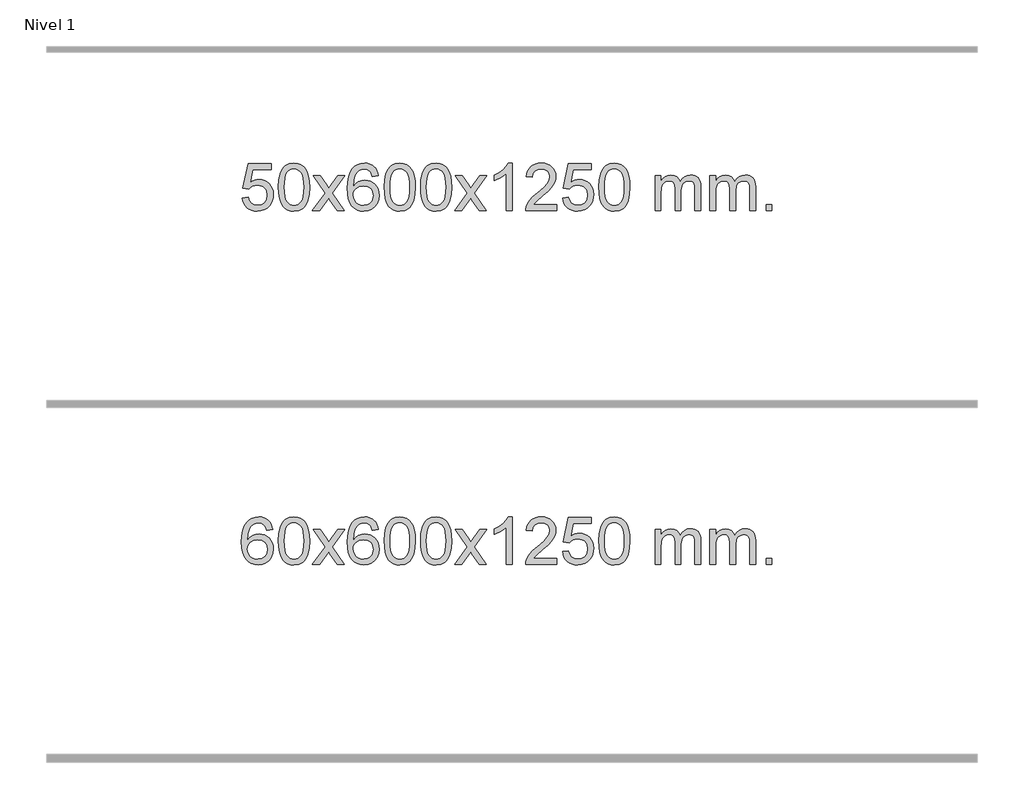
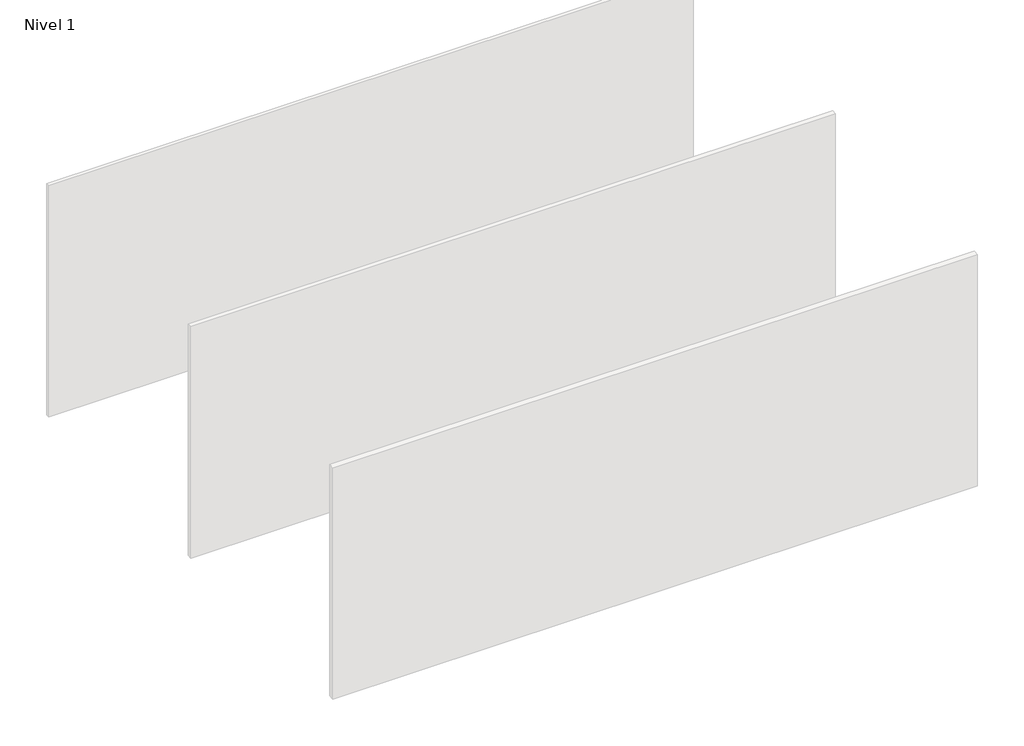
# One storey, part 5 of 6: 2 proxies.
"""IFC4 building model written with IfcOpenShell, lengths in millimetres."""

from ifc_helpers import new_model, si_unit, origin, origin_with_axes, place, context, project, spatial, polyline, outline, extrude, element, save

model = new_model("IFC4")

# Units and contexts
model_context = context("Model", 3, world=origin())
ifc_project = project(units=[si_unit("LENGTHUNIT", "METRE", prefix="MILLI")], contexts=[model_context])

# Site, building, storey
site = spatial("IfcSite", under=ifc_project)
building = spatial("IfcBuilding", under=site)
storey = spatial("IfcBuildingStorey", under=building, Name="Nivel 1", Elevation=0.0)

# Proxies
placement = place(None, origin())
element("IfcBuildingElementProxy", 1, Name="Texto de modelo 1", ObjectType="Texto de modelo 1", at=placement, inside=storey, context=model_context, shape_type="SweptSolid", body=[
    extrude(outline(polyline([(-4870.8435659, -284.8446235), (-4820.6154108, -278.5661041), (-4811.3938355, -308.7201649), (-4795.3051296, -330.3148381), (-4772.4228695, -343.3010725), (-4742.8206316, -347.6298173), (-4723.6907678, -346.1245668), (-4706.817247, -341.6088153), (-4692.2000691, -334.0825628), (-4679.839234, -323.5458094), (-4670.0106534, -310.519721), (-4662.9902386, -295.5254641), (-4657.3739068, -259.6324441), (-4662.6346194, -225.8363514), (-4669.21051, -211.9181493), (-4678.416757, -199.9865099), (-4690.284017, -190.4154467), (-4704.842947, -183.5789729), (-4742.0358167, -178.1097939), (-4766.4018675, -180.2925604), (-4786.1326052, -186.8408599), (-4801.8902173, -196.8717757), (-4814.3368915, -209.5023908), (-4864.5650465, -203.2238715), (-4820.6154108, 3.9672682), (-4625.9813099, 3.9672682), (-4625.9813099, -46.2608869), (-4780.0012386, -46.2608869), (-4801.4855471, -156.919791), (-4783.7597663, -144.2155994), (-4765.6047898, -135.1411769), (-4747.0206177, -129.6965234), (-4728.0072499, -127.8816388), (-4703.5461629, -130.1318504), (-4681.0777701, -136.882485), (-4660.6020714, -148.1335427), (-4642.1190668, -163.8850234), (-4626.8182415, -183.1743027), (-4615.8890805, -205.038756), (-4609.331584, -229.4783832), (-4607.1457518, -256.4931844), (-4609.1139204, -282.5147042), (-4615.0184265, -306.7213394), (-4624.8592698, -329.1130902), (-4638.6364506, -349.6899565), (-4659.5076224, -370.7634634), (-4683.8614105, -385.8159684), (-4711.6978148, -394.8474714), (-4743.0168353, -397.8579724), (-4768.9371876, -395.9235262), (-4792.3498109, -390.1201877), (-4813.2547053, -380.447957), (-4831.6518707, -366.9068338), (-4846.9588274, -350.1712688), (-4858.5930955, -330.915712), (-4866.554675, -309.1401636), (-4870.8435659, -284.8446235)])), origin_with_axes(), (0.0, 0.0, 1.0), 10.0),
    extrude(outline(polyline([(-4563.1961161, -193.9041943), (-4559.5050334, -129.5861588), (-4548.4317853, -78.2911459), (-4530.0867365, -39.2343407), (-4518.2286735, -24.0009605), (-4504.5802515, -11.6309284), (-4489.0954852, -2.0598651), (-4471.7283893, 4.7766086), (-4431.347209, 10.2457876), (-4400.3960705, 7.008426), (-4372.6822935, -2.7036586), (-4349.5057278, -18.5103217), (-4332.1662231, -40.0314184), (-4319.0696241, -67.0830078), (-4308.6217754, -99.4811488), (-4301.7791703, -140.6226186), (-4299.4983019, -193.9041943), (-4303.1525964, -257.8543477), (-4314.1154799, -309.0267333), (-4332.3501641, -348.1203266), (-4344.1806359, -363.3996922), (-4357.8198609, -375.8341036), (-4373.3230213, -385.4695462), (-4390.7452995, -392.3520052), (-4431.347209, -397.8579724), (-4459.011935, -395.4667394), (-4483.5374014, -388.2930405), (-4504.923608, -376.3368757), (-4523.170555, -359.5982449), (-4540.681738, -329.3399508), (-4553.1897258, -291.6381776), (-4560.6945185, -246.4929255), (-4563.1961161, -193.9041943)]), holes=[polyline([(-4512.967961, -193.8060924), (-4511.496433, -237.4706195), (-4507.0818491, -272.8148822), (-4499.7242092, -299.8388804), (-4489.4235133, -318.5426142), (-4476.9645764, -331.2682656), (-4463.1322134, -340.3580165), (-4447.9264243, -345.8118671), (-4431.347209, -347.6298173), (-4414.7679938, -345.8057357), (-4399.5622046, -340.3334911), (-4385.7298416, -331.2130833), (-4373.2709047, -318.4445124), (-4362.9702088, -299.7101217), (-4355.6125689, -272.6922549), (-4351.197985, -237.3909118), (-4349.726457, -193.8060924), (-4351.1489341, -151.2973278), (-4355.4163652, -116.5753989), (-4362.5287504, -89.6403055), (-4372.4860898, -70.4920476), (-4384.7365602, -57.1440625), (-4398.7283388, -47.6097875), (-4414.4614254, -41.8892225), (-4431.9358202, -39.9823675), (-4448.4291963, -41.6623619), (-4463.3774681, -46.7023452), (-4476.7806354, -55.1023175), (-4488.6386984, -66.8622786), (-4499.2827508, -87.708925), (-4506.8856454, -115.8151094), (-4511.4473821, -151.1808319), (-4512.967961, -193.8060924)])]), origin_with_axes(), (0.0, 0.0, 1.0), 10.0),
    extrude(outline(polyline([(-4274.3842244, -391.579453), (-4167.0607837, -243.2494325), (-4268.105705, -96.4890419), (-4207.6749559, -96.4890419), (-4158.9183288, -167.122385), (-4136.1586961, -200.4770192), (-4116.4402211, -173.2047007), (-4060.9145653, -96.4890419), (-4000.4838163, -96.4890419), (-4106.6300346, -243.2494325), (-4004.4078909, -391.579453), (-4064.8386399, -391.579453), (-4126.3485095, -302.4048574), (-4137.6302241, -286.1199477), (-4213.9534753, -391.579453), (-4274.3842244, -391.579453)])), origin_with_axes(), (0.0, 0.0, 1.0), 10.0),
    extrude(outline(polyline([(-3715.5959992, -96.4890419), (-3765.8241543, -102.7675613), (-3773.9175582, -77.874213), (-3784.8559162, -60.8780648), (-3807.6400744, -45.2062918), (-3835.1821731, -39.9823675), (-3858.5304171, -43.0235253), (-3880.5052349, -52.1469988), (-3899.3775813, -71.3627017), (-3914.7918368, -97.8134171), (-3925.2028973, -135.227016), (-3929.0656583, -187.3313693), (-3908.9179877, -163.8237098), (-3884.772666, -147.2567573), (-3857.9785941, -137.434308), (-3829.8846724, -134.1601582), (-3805.7516135, -136.398107), (-3783.48249, -143.1119534), (-3763.077302, -154.3016975), (-3744.5360495, -169.9673391), (-3729.1279252, -189.1769106), (-3718.1221222, -210.9984443), (-3711.5186404, -235.4319401), (-3709.3174798, -262.4773982), (-3713.4622836, -298.4439945), (-3725.8966951, -331.786366), (-3745.5906445, -360.0642287), (-3771.5140625, -380.8372987), (-3802.4897265, -393.602804), (-3837.3404141, -397.8579724), (-3867.2829429, -395.0375437), (-3894.3253352, -386.5762579), (-3918.4675911, -372.4741147), (-3939.7097107, -352.7311143), (-3957.0277556, -326.5133908), (-3969.3977877, -292.9870783), (-3976.8198069, -252.1521768), (-3979.2938133, -204.0086864), (-3976.5469611, -150.0342663), (-3968.3064044, -103.9693092), (-3954.5721433, -65.8138149), (-3935.3441776, -35.5677835), (-3914.5036626, -15.5243462), (-3890.3399469, -1.2076052), (-3862.8530305, 7.3824394), (-3832.0429134, 10.2457876), (-3808.9092673, 8.4738227), (-3787.9706504, 3.1579278), (-3769.2270627, -5.7018969), (-3752.6785043, -18.1056515), (-3738.7725649, -33.6364031), (-3727.9568342, -51.8772186), (-3720.2313123, -72.8280983), (-3715.5959992, -96.4890419)]), holes=[polyline([(-3929.0656583, -261.6925832), (-3926.1593905, -283.9494439), (-3917.4405872, -305.2007605), (-3903.9025298, -323.472233), (-3886.5384996, -336.7895612), (-3865.5814886, -344.9197533), (-3841.2644887, -347.6298173), (-3808.118321, -342.0134855), (-3794.2031845, -334.9930708), (-3782.060013, -325.1644901), (-3772.2099726, -312.9262824), (-3765.1742294, -298.6769865), (-3759.5456349, -264.1451299), (-3765.100653, -230.9989621), (-3772.0444257, -217.3781312), (-3781.7657074, -205.725469), (-3793.9456671, -196.3904634), (-3808.2654738, -189.7226022), (-3843.3246279, -184.3883133), (-3876.4217448, -189.7226022), (-3904.0987335, -205.725469), (-3915.0217631, -217.2248471), (-3922.8239271, -230.3858254), (-3927.5052255, -245.2084042), (-3929.0656583, -261.6925832)])]), origin_with_axes(), (0.0, 0.0, 1.0), 10.0),
    extrude(outline(polyline([(-3665.3678441, -193.9041943), (-3661.6767614, -129.5861588), (-3650.6035134, -78.2911459), (-3632.2584646, -39.2343407), (-3620.4004016, -24.0009605), (-3606.7519796, -11.6309284), (-3591.2672132, -2.0598651), (-3573.9001174, 4.7766086), (-3533.518937, 10.2457876), (-3502.5677985, 7.008426), (-3474.8540216, -2.7036586), (-3451.6774559, -18.5103217), (-3434.3379511, -40.0314184), (-3421.2413521, -67.0830078), (-3410.7935035, -99.4811488), (-3403.9508983, -140.6226186), (-3401.67003, -193.9041943), (-3405.3243245, -257.8543477), (-3416.2872079, -309.0267333), (-3434.5218921, -348.1203266), (-3446.352364, -363.3996922), (-3459.9915889, -375.8341036), (-3475.4947494, -385.4695462), (-3492.9170275, -392.3520052), (-3533.518937, -397.8579724), (-3561.1836631, -395.4667394), (-3585.7091294, -388.2930405), (-3607.0953361, -376.3368757), (-3625.342283, -359.5982449), (-3642.853466, -329.3399508), (-3655.3614539, -291.6381776), (-3662.8662466, -246.4929255), (-3665.3678441, -193.9041943)]), holes=[polyline([(-3615.139689, -193.8060924), (-3613.6681611, -237.4706195), (-3609.2535771, -272.8148822), (-3601.8959372, -299.8388804), (-3591.5952414, -318.5426142), (-3579.1363044, -331.2682656), (-3565.3039414, -340.3580165), (-3550.0981523, -345.8118671), (-3533.518937, -347.6298173), (-3516.9397218, -345.8057357), (-3501.7339327, -340.3334911), (-3487.9015696, -331.2130833), (-3475.4426327, -318.4445124), (-3465.1419369, -299.7101217), (-3457.784297, -272.6922549), (-3453.369713, -237.3909118), (-3451.8981851, -193.8060924), (-3453.3206621, -151.2973278), (-3457.5880932, -116.5753989), (-3464.7004785, -89.6403055), (-3474.6578178, -70.4920476), (-3486.9082883, -57.1440625), (-3500.9000668, -47.6097875), (-3516.6331535, -41.8892225), (-3534.1075482, -39.9823675), (-3550.6009244, -41.6623619), (-3565.5491961, -46.7023452), (-3578.9523635, -55.1023175), (-3590.8104264, -66.8622786), (-3601.4544788, -87.708925), (-3609.0573734, -115.8151094), (-3613.6191101, -151.1808319), (-3615.139689, -193.8060924)])]), origin_with_axes(), (0.0, 0.0, 1.0), 10.0),
    extrude(outline(polyline([(-3357.7203943, -193.9041943), (-3354.0293116, -129.5861588), (-3342.9560635, -78.2911459), (-3324.6110147, -39.2343407), (-3312.7529517, -24.0009605), (-3299.1045297, -11.6309284), (-3283.6197634, -2.0598651), (-3266.2526676, 4.7766086), (-3225.8714872, 10.2457876), (-3194.9203487, 7.008426), (-3167.2065717, -2.7036586), (-3144.030006, -18.5103217), (-3126.6905013, -40.0314184), (-3113.5939023, -67.0830078), (-3103.1460536, -99.4811488), (-3096.3034485, -140.6226186), (-3094.0225801, -193.9041943), (-3097.6768746, -257.8543477), (-3108.6397581, -309.0267333), (-3126.8744423, -348.1203266), (-3138.7049141, -363.3996922), (-3152.3441391, -375.8341036), (-3167.8472995, -385.4695462), (-3185.2695777, -392.3520052), (-3225.8714872, -397.8579724), (-3253.5362133, -395.4667394), (-3278.0616796, -388.2930405), (-3299.4478862, -376.3368757), (-3317.6948332, -359.5982449), (-3335.2060162, -329.3399508), (-3347.714004, -291.6381776), (-3355.2187967, -246.4929255), (-3357.7203943, -193.9041943)]), holes=[polyline([(-3307.4922392, -193.8060924), (-3306.0207112, -237.4706195), (-3301.6061273, -272.8148822), (-3294.2484874, -299.8388804), (-3283.9477915, -318.5426142), (-3271.4888546, -331.2682656), (-3257.6564916, -340.3580165), (-3242.4507025, -345.8118671), (-3225.8714872, -347.6298173), (-3209.292272, -345.8057357), (-3194.0864828, -340.3334911), (-3180.2541198, -331.2130833), (-3167.7951829, -318.4445124), (-3157.494487, -299.7101217), (-3150.1368471, -272.6922549), (-3145.7222632, -237.3909118), (-3144.2507352, -193.8060924), (-3145.6732123, -151.2973278), (-3149.9406434, -116.5753989), (-3157.0530287, -89.6403055), (-3167.010368, -70.4920476), (-3179.2608384, -57.1440625), (-3193.252617, -47.6097875), (-3208.9857036, -41.8892225), (-3226.4600984, -39.9823675), (-3242.9534745, -41.6623619), (-3257.9017463, -46.7023452), (-3271.3049136, -55.1023175), (-3283.1629766, -66.8622786), (-3293.807029, -87.708925), (-3301.4099236, -115.8151094), (-3305.9716603, -151.1808319), (-3307.4922392, -193.8060924)])]), origin_with_axes(), (0.0, 0.0, 1.0), 10.0),
    extrude(outline(polyline([(-3068.9085026, -391.579453), (-2961.5850619, -243.2494325), (-3062.6299832, -96.4890419), (-3002.1992341, -96.4890419), (-2953.4426071, -167.122385), (-2930.6829743, -200.4770192), (-2910.9644993, -173.2047007), (-2855.4388435, -96.4890419), (-2795.0080945, -96.4890419), (-2901.1543128, -243.2494325), (-2798.9321691, -391.579453), (-2859.3629182, -391.579453), (-2920.8727877, -302.4048574), (-2932.1545023, -286.1199477), (-3008.4777535, -391.579453), (-3068.9085026, -391.579453)])), origin_with_axes(), (0.0, 0.0, 1.0), 10.0),
    extrude(outline(polyline([(-2579.1839906, -391.579453), (-2629.4121457, -391.579453), (-2629.4121457, -78.4382987), (-2650.3814194, -95.3976587), (-2676.9915504, -112.3324932), (-2729.8684559, -137.6918254), (-2729.8684559, -90.2105225), (-2690.4192432, -68.7507395), (-2656.2430059, -43.219729), (-2629.3017811, -16.0700378), (-2611.5576062, 10.2457876), (-2579.1839906, 10.2457876), (-2579.1839906, -391.579453)])), origin_with_axes(), (0.0, 0.0, 1.0), 10.0),
    extrude(outline(polyline([(-2202.4728276, -341.3512979), (-2202.4728276, -391.579453), (-2466.1706417, -391.579453), (-2465.0669957, -373.8965918), (-2460.7750391, -356.9494945), (-2448.3896786, -329.8856424), (-2430.265359, -303.6311307), (-2404.0476355, -276.1503456), (-2367.3820633, -245.4076736), (-2313.1807826, -197.2641831), (-2280.6600143, -161.7267824), (-2264.3996301, -132.884834), (-2258.979502, -104.8277005), (-2264.0930618, -79.6768347), (-2279.433741, -58.7688747), (-2303.0149768, -44.6789943), (-2332.8502067, -39.9823675), (-2364.1814899, -44.5686297), (-2388.5230153, -58.3274163), (-2404.2315765, -80.1796068), (-2409.6639672, -109.0460807), (-2459.8921223, -102.7675613), (-2455.5725746, -76.838012), (-2447.7152283, -54.1826125), (-2436.3200835, -34.8013627), (-2421.3871402, -18.6942627), (-2403.2597548, -6.0329907), (-2382.2812841, 3.010775), (-2358.4517278, 8.4370345), (-2331.7710861, 10.2457876), (-2304.8513211, 8.2346994), (-2280.8930062, 2.2014346), (-2259.8961413, -7.8540066), (-2241.8607265, -21.9316242), (-2227.375373, -38.9890861), (-2217.0286918, -57.9840598), (-2210.8206832, -78.9165453), (-2208.7513469, -101.7865427), (-2210.9831644, -125.8092369), (-2217.6786167, -149.4149983), (-2229.5612051, -173.4254299), (-2247.354431, -198.6621347), (-2275.7181328, -228.7916701), (-2319.3121492, -267.4805933), (-2377.0941479, -315.795762), (-2399.7556788, -341.3512979), (-2202.4728276, -341.3512979)])), origin_with_axes(), (0.0, 0.0, 1.0), 10.0),
    extrude(outline(polyline([(-2152.2446725, -284.8446235), (-2102.0165174, -278.5661041), (-2092.7949421, -308.7201649), (-2076.7062361, -330.3148381), (-2053.823976, -343.3010725), (-2024.2217382, -347.6298173), (-2005.0918744, -346.1245668), (-1988.2183536, -341.6088153), (-1973.6011756, -334.0825628), (-1961.2403406, -323.5458094), (-1951.41176, -310.519721), (-1944.3913452, -295.5254641), (-1938.7750134, -259.6324441), (-1944.035726, -225.8363514), (-1950.6116166, -211.9181493), (-1959.8178635, -199.9865099), (-1971.6851236, -190.4154467), (-1986.2440535, -183.5789729), (-2023.4369232, -178.1097939), (-2047.8029741, -180.2925604), (-2067.5337117, -186.8408599), (-2083.2913239, -196.8717757), (-2095.737998, -209.5023908), (-2145.9661531, -203.2238715), (-2102.0165174, 3.9672682), (-1907.3824165, 3.9672682), (-1907.3824165, -46.2608869), (-2061.4023451, -46.2608869), (-2082.8866537, -156.919791), (-2065.1608729, -144.2155994), (-2047.0058964, -135.1411769), (-2028.4217243, -129.6965234), (-2009.4083565, -127.8816388), (-1984.9472695, -130.1318504), (-1962.4788766, -136.882485), (-1942.0031779, -148.1335427), (-1923.5201734, -163.8850234), (-1908.219348, -183.1743027), (-1897.2901871, -205.038756), (-1890.7326905, -229.4783832), (-1888.5468583, -256.4931844), (-1890.515027, -282.5147042), (-1896.419533, -306.7213394), (-1906.2603764, -329.1130902), (-1920.0375571, -349.6899565), (-1940.908729, -370.7634634), (-1965.2625171, -385.8159684), (-1993.0989214, -394.8474714), (-2024.4179419, -397.8579724), (-2050.3382941, -395.9235262), (-2073.7509175, -390.1201877), (-2094.6558118, -380.447957), (-2113.0529773, -366.9068338), (-2128.359934, -350.1712688), (-2139.9942021, -330.915712), (-2147.9557816, -309.1401636), (-2152.2446725, -284.8446235)])), origin_with_axes(), (0.0, 0.0, 1.0), 10.0),
    extrude(outline(polyline([(-1844.5972227, -193.9041943), (-1840.90614, -129.5861588), (-1829.8328919, -78.2911459), (-1811.4878431, -39.2343407), (-1799.6297801, -24.0009605), (-1785.9813581, -11.6309284), (-1770.4965918, -2.0598651), (-1753.1294959, 4.7766086), (-1712.7483156, 10.2457876), (-1681.7971771, 7.008426), (-1654.0834001, -2.7036586), (-1630.9068344, -18.5103217), (-1613.5673297, -40.0314184), (-1600.4707307, -67.0830078), (-1590.022882, -99.4811488), (-1583.1802769, -140.6226186), (-1580.8994085, -193.9041943), (-1584.553703, -257.8543477), (-1595.5165865, -309.0267333), (-1613.7512707, -348.1203266), (-1625.5817425, -363.3996922), (-1639.2209675, -375.8341036), (-1654.7241279, -385.4695462), (-1672.1464061, -392.3520052), (-1712.7483156, -397.8579724), (-1740.4130416, -395.4667394), (-1764.938508, -388.2930405), (-1786.3247146, -376.3368757), (-1804.5716616, -359.5982449), (-1822.0828446, -329.3399508), (-1834.5908324, -291.6381776), (-1842.0956251, -246.4929255), (-1844.5972227, -193.9041943)]), holes=[polyline([(-1794.3690676, -193.8060924), (-1792.8975396, -237.4706195), (-1788.4829557, -272.8148822), (-1781.1253158, -299.8388804), (-1770.8246199, -318.5426142), (-1758.365683, -331.2682656), (-1744.53332, -340.3580165), (-1729.3275308, -345.8118671), (-1712.7483156, -347.6298173), (-1696.1691003, -345.8057357), (-1680.9633112, -340.3334911), (-1667.1309482, -331.2130833), (-1654.6720113, -318.4445124), (-1644.3713154, -299.7101217), (-1637.0136755, -272.6922549), (-1632.5990916, -237.3909118), (-1631.1275636, -193.8060924), (-1632.5500406, -151.2973278), (-1636.8174718, -116.5753989), (-1643.929857, -89.6403055), (-1653.8871964, -70.4920476), (-1666.1376668, -57.1440625), (-1680.1294453, -47.6097875), (-1695.862532, -41.8892225), (-1713.3369268, -39.9823675), (-1729.8303029, -41.6623619), (-1744.7785746, -46.7023452), (-1758.181742, -55.1023175), (-1770.039805, -66.8622786), (-1780.6838574, -87.708925), (-1788.2867519, -115.8151094), (-1792.8484887, -151.1808319), (-1794.3690676, -193.8060924)])]), origin_with_axes(), (0.0, 0.0, 1.0), 10.0),
    extrude(outline(polyline([(-1367.4297494, -391.579453), (-1367.4297494, -96.4890419), (-1317.2015944, -96.4890419), (-1317.2015944, -145.0494653), (-1302.0939071, -122.7435537), (-1282.6697378, -105.2691589), (-1259.5912739, -93.9751816), (-1233.5207032, -90.2105225), (-1205.586197, -94.048758), (-1183.1944463, -105.5634645), (-1166.4680782, -123.9943524), (-1155.5297202, -148.5811324), (-1137.2214596, -123.0439906), (-1116.338025, -104.803175), (-1092.8794164, -93.8586857), (-1066.8456339, -90.2105225), (-1046.7378172, -91.7280358), (-1029.0886785, -96.2805755), (-1013.8982178, -103.8681416), (-1001.166435, -114.4907342), (-991.1017968, -128.2709806), (-983.9127695, -145.3315082), (-979.5993531, -165.6723168), (-978.1615476, -189.2934066), (-978.1615476, -391.579453), (-1028.3897027, -391.579453), (-1028.3897027, -210.875817), (-1029.5546623, -185.8230531), (-1033.0495413, -168.9372695), (-1039.5978408, -157.3735121), (-1049.9230621, -148.2868268), (-1063.2036022, -142.4007149), (-1078.6178578, -140.4386776), (-1105.8288627, -145.4663982), (-1128.012147, -160.54956), (-1136.61752, -172.1194488), (-1142.764215, -186.7182326), (-1147.681571, -225.0024856), (-1147.681571, -391.579453), (-1197.9097261, -391.579453), (-1197.9097261, -205.2840106), (-1200.8159938, -176.8835206), (-1209.5347971, -156.6254854), (-1224.8754763, -144.4853796), (-1247.6473718, -140.4386776), (-1266.9979648, -143.1364789), (-1284.8279788, -151.2298828), (-1299.5432586, -164.5226856), (-1309.5496489, -182.8186835), (-1315.288608, -208.2025411), (-1317.2015944, -242.7589232), (-1317.2015944, -391.579453), (-1367.4297494, -391.579453)])), origin_with_axes(), (0.0, 0.0, 1.0), 10.0),
    extrude(outline(polyline([(-902.819315, -391.579453), (-902.819315, -96.4890419), (-852.5911599, -96.4890419), (-852.5911599, -145.0494653), (-837.4834727, -122.7435537), (-818.0593033, -105.2691589), (-794.9808395, -93.9751816), (-768.9102688, -90.2105225), (-740.9757626, -94.048758), (-718.5840118, -105.5634645), (-701.8576438, -123.9943524), (-690.9192858, -148.5811324), (-672.6110252, -123.0439906), (-651.7275906, -104.803175), (-628.268982, -93.8586857), (-602.2351995, -90.2105225), (-582.1273828, -91.7280358), (-564.478244, -96.2805755), (-549.2877833, -103.8681416), (-536.5560006, -114.4907342), (-526.4913624, -128.2709806), (-519.302335, -145.3315082), (-514.9889186, -165.6723168), (-513.5511132, -189.2934066), (-513.5511132, -391.579453), (-563.7792682, -391.579453), (-563.7792682, -210.875817), (-564.9442279, -185.8230531), (-568.4391069, -168.9372695), (-574.9874064, -157.3735121), (-585.3126277, -148.2868268), (-598.5931677, -142.4007149), (-614.0074233, -140.4386776), (-641.2184282, -145.4663982), (-663.4017125, -160.54956), (-672.0070855, -172.1194488), (-678.1537806, -186.7182326), (-683.0711366, -225.0024856), (-683.0711366, -391.579453), (-733.2992916, -391.579453), (-733.2992916, -205.2840106), (-736.2055594, -176.8835206), (-744.9243627, -156.6254854), (-760.2650419, -144.4853796), (-783.0369374, -140.4386776), (-802.3875303, -143.1364789), (-820.2175444, -151.2298828), (-834.9328242, -164.5226856), (-844.9392144, -182.8186835), (-850.6781736, -208.2025411), (-852.5911599, -242.7589232), (-852.5911599, -391.579453), (-902.819315, -391.579453)])), origin_with_axes(), (0.0, 0.0, 1.0), 10.0),
    extrude(outline(polyline([(-425.6518418, -391.579453), (-425.6518418, -341.3512979), (-375.4236867, -341.3512979), (-375.4236867, -391.579453), (-425.6518418, -391.579453)])), origin_with_axes(), (0.0, 0.0, 1.0), 10.0),
])
element("IfcBuildingElementProxy", 2, Name="Texto de modelo 1", ObjectType="Texto de modelo 1", at=placement, inside=storey, context=model_context, shape_type="SweptSolid", body=[
    extrude(outline(polyline([(-4613.4242712, -3100.4890419), (-4663.6524262, -3106.7675613), (-4671.7458301, -3081.874213), (-4682.6841881, -3064.8780648), (-4705.4683463, -3049.2062918), (-4733.0104451, -3043.9823675), (-4756.358689, -3047.0235253), (-4778.3335069, -3056.1469988), (-4797.2058532, -3075.3627017), (-4812.6201088, -3101.8134171), (-4823.0311693, -3139.227016), (-4826.8939302, -3191.3313693), (-4806.7462596, -3167.8237098), (-4782.600938, -3151.2567573), (-4755.806866, -3141.434308), (-4727.7129443, -3138.1601582), (-4703.5798854, -3140.398107), (-4681.310762, -3147.1119534), (-4660.905574, -3158.3016975), (-4642.3643214, -3173.9673391), (-4626.9561972, -3193.1769106), (-4615.9503942, -3214.9984443), (-4609.3469124, -3239.4319401), (-4607.1457518, -3266.4773982), (-4611.2905556, -3302.4439945), (-4623.724967, -3335.786366), (-4643.4189165, -3364.0642287), (-4669.3423344, -3384.8372987), (-4700.3179984, -3397.602804), (-4735.1686861, -3401.8579724), (-4765.1112148, -3399.0375437), (-4792.1536071, -3390.5762579), (-4816.2958631, -3376.4741147), (-4837.5379826, -3356.7311143), (-4854.8560275, -3330.5133908), (-4867.2260596, -3296.9870783), (-4874.6480789, -3256.1521768), (-4877.1220853, -3208.0086864), (-4874.3752331, -3154.0342663), (-4866.1346764, -3107.9693092), (-4852.4004152, -3069.8138149), (-4833.1724496, -3039.5677835), (-4812.3319346, -3019.5243462), (-4788.1682189, -3005.2076052), (-4760.6813025, -2996.6175606), (-4729.8711854, -2993.7542124), (-4706.7375392, -2995.5261773), (-4685.7989223, -3000.8420722), (-4667.0553347, -3009.7018969), (-4650.5067763, -3022.1056515), (-4636.6008369, -3037.6364031), (-4625.7851062, -3055.8772186), (-4618.0595843, -3076.8280983), (-4613.4242712, -3100.4890419)]), holes=[polyline([(-4826.8939302, -3265.6925832), (-4823.9876625, -3287.9494439), (-4815.2688592, -3309.2007605), (-4801.7308018, -3327.472233), (-4784.3667716, -3340.7895612), (-4763.4097606, -3348.9197533), (-4739.0927607, -3351.6298173), (-4705.9465929, -3346.0134855), (-4692.0314565, -3338.9930708), (-4679.888285, -3329.1644901), (-4670.0382445, -3316.9262824), (-4663.0025014, -3302.6769865), (-4657.3739068, -3268.1451299), (-4662.928925, -3234.9989621), (-4669.8726976, -3221.3781312), (-4679.5939794, -3209.725469), (-4691.7739391, -3200.3904634), (-4706.0937457, -3193.7226022), (-4741.1528999, -3188.3883133), (-4774.2500167, -3193.7226022), (-4801.9270055, -3209.725469), (-4812.8500351, -3221.2248471), (-4820.652199, -3234.3858254), (-4825.3334974, -3249.2084042), (-4826.8939302, -3265.6925832)])]), origin_with_axes(), (0.0, 0.0, 1.0), 10.0),
    extrude(outline(polyline([(-4563.1961161, -3197.9041943), (-4559.5050334, -3133.5861588), (-4548.4317853, -3082.2911459), (-4530.0867365, -3043.2343407), (-4518.2286735, -3028.0009605), (-4504.5802515, -3015.6309284), (-4489.0954852, -3006.0598651), (-4471.7283893, -2999.2233914), (-4431.347209, -2993.7542124), (-4400.3960705, -2996.991574), (-4372.6822935, -3006.7036586), (-4349.5057278, -3022.5103217), (-4332.1662231, -3044.0314184), (-4319.0696241, -3071.0830078), (-4308.6217754, -3103.4811488), (-4301.7791703, -3144.6226186), (-4299.4983019, -3197.9041943), (-4303.1525964, -3261.8543477), (-4314.1154799, -3313.0267333), (-4332.3501641, -3352.1203266), (-4344.1806359, -3367.3996922), (-4357.8198609, -3379.8341036), (-4373.3230213, -3389.4695462), (-4390.7452995, -3396.3520052), (-4431.347209, -3401.8579724), (-4459.011935, -3399.4667394), (-4483.5374014, -3392.2930405), (-4504.923608, -3380.3368757), (-4523.170555, -3363.5982449), (-4540.681738, -3333.3399508), (-4553.1897258, -3295.6381776), (-4560.6945185, -3250.4929255), (-4563.1961161, -3197.9041943)]), holes=[polyline([(-4512.967961, -3197.8060924), (-4511.496433, -3241.4706195), (-4507.0818491, -3276.8148822), (-4499.7242092, -3303.8388804), (-4489.4235133, -3322.5426142), (-4476.9645764, -3335.2682656), (-4463.1322134, -3344.3580165), (-4447.9264243, -3349.8118671), (-4431.347209, -3351.6298173), (-4414.7679938, -3349.8057357), (-4399.5622046, -3344.3334911), (-4385.7298416, -3335.2130833), (-4373.2709047, -3322.4445124), (-4362.9702088, -3303.7101217), (-4355.6125689, -3276.6922549), (-4351.197985, -3241.3909118), (-4349.726457, -3197.8060924), (-4351.1489341, -3155.2973278), (-4355.4163652, -3120.5753989), (-4362.5287504, -3093.6403055), (-4372.4860898, -3074.4920476), (-4384.7365602, -3061.1440625), (-4398.7283388, -3051.6097875), (-4414.4614254, -3045.8892225), (-4431.9358202, -3043.9823675), (-4448.4291963, -3045.6623619), (-4463.3774681, -3050.7023452), (-4476.7806354, -3059.1023175), (-4488.6386984, -3070.8622786), (-4499.2827508, -3091.708925), (-4506.8856454, -3119.8151094), (-4511.4473821, -3155.1808319), (-4512.967961, -3197.8060924)])]), origin_with_axes(), (0.0, 0.0, 1.0), 10.0),
    extrude(outline(polyline([(-4274.3842244, -3395.579453), (-4167.0607837, -3247.2494325), (-4268.105705, -3100.4890419), (-4207.6749559, -3100.4890419), (-4158.9183288, -3171.122385), (-4136.1586961, -3204.4770192), (-4116.4402211, -3177.2047007), (-4060.9145653, -3100.4890419), (-4000.4838163, -3100.4890419), (-4106.6300346, -3247.2494325), (-4004.4078909, -3395.579453), (-4064.8386399, -3395.579453), (-4126.3485095, -3306.4048574), (-4137.6302241, -3290.1199477), (-4213.9534753, -3395.579453), (-4274.3842244, -3395.579453)])), origin_with_axes(), (0.0, 0.0, 1.0), 10.0),
    extrude(outline(polyline([(-3715.5959992, -3100.4890419), (-3765.8241543, -3106.7675613), (-3773.9175582, -3081.874213), (-3784.8559162, -3064.8780648), (-3807.6400744, -3049.2062918), (-3835.1821731, -3043.9823675), (-3858.5304171, -3047.0235253), (-3880.5052349, -3056.1469988), (-3899.3775813, -3075.3627017), (-3914.7918368, -3101.8134171), (-3925.2028973, -3139.227016), (-3929.0656583, -3191.3313693), (-3908.9179877, -3167.8237098), (-3884.772666, -3151.2567573), (-3857.9785941, -3141.434308), (-3829.8846724, -3138.1601582), (-3805.7516135, -3140.398107), (-3783.48249, -3147.1119534), (-3763.077302, -3158.3016975), (-3744.5360495, -3173.9673391), (-3729.1279252, -3193.1769106), (-3718.1221222, -3214.9984443), (-3711.5186404, -3239.4319401), (-3709.3174798, -3266.4773982), (-3713.4622836, -3302.4439945), (-3725.8966951, -3335.786366), (-3745.5906445, -3364.0642287), (-3771.5140625, -3384.8372987), (-3802.4897265, -3397.602804), (-3837.3404141, -3401.8579724), (-3867.2829429, -3399.0375437), (-3894.3253352, -3390.5762579), (-3918.4675911, -3376.4741147), (-3939.7097107, -3356.7311143), (-3957.0277556, -3330.5133908), (-3969.3977877, -3296.9870783), (-3976.8198069, -3256.1521768), (-3979.2938133, -3208.0086864), (-3976.5469611, -3154.0342663), (-3968.3064044, -3107.9693092), (-3954.5721433, -3069.8138149), (-3935.3441776, -3039.5677835), (-3914.5036626, -3019.5243462), (-3890.3399469, -3005.2076052), (-3862.8530305, -2996.6175606), (-3832.0429134, -2993.7542124), (-3808.9092673, -2995.5261773), (-3787.9706504, -3000.8420722), (-3769.2270627, -3009.7018969), (-3752.6785043, -3022.1056515), (-3738.7725649, -3037.6364031), (-3727.9568342, -3055.8772186), (-3720.2313123, -3076.8280983), (-3715.5959992, -3100.4890419)]), holes=[polyline([(-3929.0656583, -3265.6925832), (-3926.1593905, -3287.9494439), (-3917.4405872, -3309.2007605), (-3903.9025298, -3327.472233), (-3886.5384996, -3340.7895612), (-3865.5814886, -3348.9197533), (-3841.2644887, -3351.6298173), (-3808.118321, -3346.0134855), (-3794.2031845, -3338.9930708), (-3782.060013, -3329.1644901), (-3772.2099726, -3316.9262824), (-3765.1742294, -3302.6769865), (-3759.5456349, -3268.1451299), (-3765.100653, -3234.9989621), (-3772.0444257, -3221.3781312), (-3781.7657074, -3209.725469), (-3793.9456671, -3200.3904634), (-3808.2654738, -3193.7226022), (-3843.3246279, -3188.3883133), (-3876.4217448, -3193.7226022), (-3904.0987335, -3209.725469), (-3915.0217631, -3221.2248471), (-3922.8239271, -3234.3858254), (-3927.5052255, -3249.2084042), (-3929.0656583, -3265.6925832)])]), origin_with_axes(), (0.0, 0.0, 1.0), 10.0),
    extrude(outline(polyline([(-3665.3678441, -3197.9041943), (-3661.6767614, -3133.5861588), (-3650.6035134, -3082.2911459), (-3632.2584646, -3043.2343407), (-3620.4004016, -3028.0009605), (-3606.7519796, -3015.6309284), (-3591.2672132, -3006.0598651), (-3573.9001174, -2999.2233914), (-3533.518937, -2993.7542124), (-3502.5677985, -2996.991574), (-3474.8540216, -3006.7036586), (-3451.6774559, -3022.5103217), (-3434.3379511, -3044.0314184), (-3421.2413521, -3071.0830078), (-3410.7935035, -3103.4811488), (-3403.9508983, -3144.6226186), (-3401.67003, -3197.9041943), (-3405.3243245, -3261.8543477), (-3416.2872079, -3313.0267333), (-3434.5218921, -3352.1203266), (-3446.352364, -3367.3996922), (-3459.9915889, -3379.8341036), (-3475.4947494, -3389.4695462), (-3492.9170275, -3396.3520052), (-3533.518937, -3401.8579724), (-3561.1836631, -3399.4667394), (-3585.7091294, -3392.2930405), (-3607.0953361, -3380.3368757), (-3625.342283, -3363.5982449), (-3642.853466, -3333.3399508), (-3655.3614539, -3295.6381776), (-3662.8662466, -3250.4929255), (-3665.3678441, -3197.9041943)]), holes=[polyline([(-3615.139689, -3197.8060924), (-3613.6681611, -3241.4706195), (-3609.2535771, -3276.8148822), (-3601.8959372, -3303.8388804), (-3591.5952414, -3322.5426142), (-3579.1363044, -3335.2682656), (-3565.3039414, -3344.3580165), (-3550.0981523, -3349.8118671), (-3533.518937, -3351.6298173), (-3516.9397218, -3349.8057357), (-3501.7339327, -3344.3334911), (-3487.9015696, -3335.2130833), (-3475.4426327, -3322.4445124), (-3465.1419369, -3303.7101217), (-3457.784297, -3276.6922549), (-3453.369713, -3241.3909118), (-3451.8981851, -3197.8060924), (-3453.3206621, -3155.2973278), (-3457.5880932, -3120.5753989), (-3464.7004785, -3093.6403055), (-3474.6578178, -3074.4920476), (-3486.9082883, -3061.1440625), (-3500.9000668, -3051.6097875), (-3516.6331535, -3045.8892225), (-3534.1075482, -3043.9823675), (-3550.6009244, -3045.6623619), (-3565.5491961, -3050.7023452), (-3578.9523635, -3059.1023175), (-3590.8104264, -3070.8622786), (-3601.4544788, -3091.708925), (-3609.0573734, -3119.8151094), (-3613.6191101, -3155.1808319), (-3615.139689, -3197.8060924)])]), origin_with_axes(), (0.0, 0.0, 1.0), 10.0),
    extrude(outline(polyline([(-3357.7203943, -3197.9041943), (-3354.0293116, -3133.5861588), (-3342.9560635, -3082.2911459), (-3324.6110147, -3043.2343407), (-3312.7529517, -3028.0009605), (-3299.1045297, -3015.6309284), (-3283.6197634, -3006.0598651), (-3266.2526676, -2999.2233914), (-3225.8714872, -2993.7542124), (-3194.9203487, -2996.991574), (-3167.2065717, -3006.7036586), (-3144.030006, -3022.5103217), (-3126.6905013, -3044.0314184), (-3113.5939023, -3071.0830078), (-3103.1460536, -3103.4811488), (-3096.3034485, -3144.6226186), (-3094.0225801, -3197.9041943), (-3097.6768746, -3261.8543477), (-3108.6397581, -3313.0267333), (-3126.8744423, -3352.1203266), (-3138.7049141, -3367.3996922), (-3152.3441391, -3379.8341036), (-3167.8472995, -3389.4695462), (-3185.2695777, -3396.3520052), (-3225.8714872, -3401.8579724), (-3253.5362133, -3399.4667394), (-3278.0616796, -3392.2930405), (-3299.4478862, -3380.3368757), (-3317.6948332, -3363.5982449), (-3335.2060162, -3333.3399508), (-3347.714004, -3295.6381776), (-3355.2187967, -3250.4929255), (-3357.7203943, -3197.9041943)]), holes=[polyline([(-3307.4922392, -3197.8060924), (-3306.0207112, -3241.4706195), (-3301.6061273, -3276.8148822), (-3294.2484874, -3303.8388804), (-3283.9477915, -3322.5426142), (-3271.4888546, -3335.2682656), (-3257.6564916, -3344.3580165), (-3242.4507025, -3349.8118671), (-3225.8714872, -3351.6298173), (-3209.292272, -3349.8057357), (-3194.0864828, -3344.3334911), (-3180.2541198, -3335.2130833), (-3167.7951829, -3322.4445124), (-3157.494487, -3303.7101217), (-3150.1368471, -3276.6922549), (-3145.7222632, -3241.3909118), (-3144.2507352, -3197.8060924), (-3145.6732123, -3155.2973278), (-3149.9406434, -3120.5753989), (-3157.0530287, -3093.6403055), (-3167.010368, -3074.4920476), (-3179.2608384, -3061.1440625), (-3193.252617, -3051.6097875), (-3208.9857036, -3045.8892225), (-3226.4600984, -3043.9823675), (-3242.9534745, -3045.6623619), (-3257.9017463, -3050.7023452), (-3271.3049136, -3059.1023175), (-3283.1629766, -3070.8622786), (-3293.807029, -3091.708925), (-3301.4099236, -3119.8151094), (-3305.9716603, -3155.1808319), (-3307.4922392, -3197.8060924)])]), origin_with_axes(), (0.0, 0.0, 1.0), 10.0),
    extrude(outline(polyline([(-3068.9085026, -3395.579453), (-2961.5850619, -3247.2494325), (-3062.6299832, -3100.4890419), (-3002.1992341, -3100.4890419), (-2953.4426071, -3171.122385), (-2930.6829743, -3204.4770192), (-2910.9644993, -3177.2047007), (-2855.4388435, -3100.4890419), (-2795.0080945, -3100.4890419), (-2901.1543128, -3247.2494325), (-2798.9321691, -3395.579453), (-2859.3629182, -3395.579453), (-2920.8727877, -3306.4048574), (-2932.1545023, -3290.1199477), (-3008.4777535, -3395.579453), (-3068.9085026, -3395.579453)])), origin_with_axes(), (0.0, 0.0, 1.0), 10.0),
    extrude(outline(polyline([(-2579.1839906, -3395.579453), (-2629.4121457, -3395.579453), (-2629.4121457, -3082.4382987), (-2650.3814194, -3099.3976587), (-2676.9915504, -3116.3324932), (-2729.8684559, -3141.6918254), (-2729.8684559, -3094.2105225), (-2690.4192432, -3072.7507395), (-2656.2430059, -3047.219729), (-2629.3017811, -3020.0700378), (-2611.5576062, -2993.7542124), (-2579.1839906, -2993.7542124), (-2579.1839906, -3395.579453)])), origin_with_axes(), (0.0, 0.0, 1.0), 10.0),
    extrude(outline(polyline([(-2202.4728276, -3345.3512979), (-2202.4728276, -3395.579453), (-2466.1706417, -3395.579453), (-2465.0669957, -3377.8965918), (-2460.7750391, -3360.9494945), (-2448.3896786, -3333.8856424), (-2430.265359, -3307.6311307), (-2404.0476355, -3280.1503456), (-2367.3820633, -3249.4076736), (-2313.1807826, -3201.2641831), (-2280.6600143, -3165.7267824), (-2264.3996301, -3136.884834), (-2258.979502, -3108.8277005), (-2264.0930618, -3083.6768347), (-2279.433741, -3062.7688747), (-2303.0149768, -3048.6789943), (-2332.8502067, -3043.9823675), (-2364.1814899, -3048.5686297), (-2388.5230153, -3062.3274163), (-2404.2315765, -3084.1796068), (-2409.6639672, -3113.0460807), (-2459.8921223, -3106.7675613), (-2455.5725746, -3080.838012), (-2447.7152283, -3058.1826125), (-2436.3200835, -3038.8013627), (-2421.3871402, -3022.6942627), (-2403.2597548, -3010.0329907), (-2382.2812841, -3000.989225), (-2358.4517278, -2995.5629655), (-2331.7710861, -2993.7542124), (-2304.8513211, -2995.7653006), (-2280.8930062, -3001.7985654), (-2259.8961413, -3011.8540066), (-2241.8607265, -3025.9316242), (-2227.375373, -3042.9890861), (-2217.0286918, -3061.9840598), (-2210.8206832, -3082.9165453), (-2208.7513469, -3105.7865427), (-2210.9831644, -3129.8092369), (-2217.6786167, -3153.4149983), (-2229.5612051, -3177.4254299), (-2247.354431, -3202.6621347), (-2275.7181328, -3232.7916701), (-2319.3121492, -3271.4805933), (-2377.0941479, -3319.795762), (-2399.7556788, -3345.3512979), (-2202.4728276, -3345.3512979)])), origin_with_axes(), (0.0, 0.0, 1.0), 10.0),
    extrude(outline(polyline([(-2152.2446725, -3288.8446235), (-2102.0165174, -3282.5661041), (-2092.7949421, -3312.7201649), (-2076.7062361, -3334.3148381), (-2053.823976, -3347.3010725), (-2024.2217382, -3351.6298173), (-2005.0918744, -3350.1245668), (-1988.2183536, -3345.6088153), (-1973.6011756, -3338.0825628), (-1961.2403406, -3327.5458094), (-1951.41176, -3314.519721), (-1944.3913452, -3299.5254641), (-1938.7750134, -3263.6324441), (-1944.035726, -3229.8363514), (-1950.6116166, -3215.9181493), (-1959.8178635, -3203.9865099), (-1971.6851236, -3194.4154467), (-1986.2440535, -3187.5789729), (-2023.4369232, -3182.1097939), (-2047.8029741, -3184.2925604), (-2067.5337117, -3190.8408599), (-2083.2913239, -3200.8717757), (-2095.737998, -3213.5023908), (-2145.9661531, -3207.2238715), (-2102.0165174, -3000.0327318), (-1907.3824165, -3000.0327318), (-1907.3824165, -3050.2608869), (-2061.4023451, -3050.2608869), (-2082.8866537, -3160.919791), (-2065.1608729, -3148.2155994), (-2047.0058964, -3139.1411769), (-2028.4217243, -3133.6965234), (-2009.4083565, -3131.8816388), (-1984.9472695, -3134.1318504), (-1962.4788766, -3140.882485), (-1942.0031779, -3152.1335427), (-1923.5201734, -3167.8850234), (-1908.219348, -3187.1743027), (-1897.2901871, -3209.038756), (-1890.7326905, -3233.4783832), (-1888.5468583, -3260.4931844), (-1890.515027, -3286.5147042), (-1896.419533, -3310.7213394), (-1906.2603764, -3333.1130902), (-1920.0375571, -3353.6899565), (-1940.908729, -3374.7634634), (-1965.2625171, -3389.8159684), (-1993.0989214, -3398.8474714), (-2024.4179419, -3401.8579724), (-2050.3382941, -3399.9235262), (-2073.7509175, -3394.1201877), (-2094.6558118, -3384.447957), (-2113.0529773, -3370.9068338), (-2128.359934, -3354.1712688), (-2139.9942021, -3334.915712), (-2147.9557816, -3313.1401636), (-2152.2446725, -3288.8446235)])), origin_with_axes(), (0.0, 0.0, 1.0), 10.0),
    extrude(outline(polyline([(-1844.5972227, -3197.9041943), (-1840.90614, -3133.5861588), (-1829.8328919, -3082.2911459), (-1811.4878431, -3043.2343407), (-1799.6297801, -3028.0009605), (-1785.9813581, -3015.6309284), (-1770.4965918, -3006.0598651), (-1753.1294959, -2999.2233914), (-1712.7483156, -2993.7542124), (-1681.7971771, -2996.991574), (-1654.0834001, -3006.7036586), (-1630.9068344, -3022.5103217), (-1613.5673297, -3044.0314184), (-1600.4707307, -3071.0830078), (-1590.022882, -3103.4811488), (-1583.1802769, -3144.6226186), (-1580.8994085, -3197.9041943), (-1584.553703, -3261.8543477), (-1595.5165865, -3313.0267333), (-1613.7512707, -3352.1203266), (-1625.5817425, -3367.3996922), (-1639.2209675, -3379.8341036), (-1654.7241279, -3389.4695462), (-1672.1464061, -3396.3520052), (-1712.7483156, -3401.8579724), (-1740.4130416, -3399.4667394), (-1764.938508, -3392.2930405), (-1786.3247146, -3380.3368757), (-1804.5716616, -3363.5982449), (-1822.0828446, -3333.3399508), (-1834.5908324, -3295.6381776), (-1842.0956251, -3250.4929255), (-1844.5972227, -3197.9041943)]), holes=[polyline([(-1794.3690676, -3197.8060924), (-1792.8975396, -3241.4706195), (-1788.4829557, -3276.8148822), (-1781.1253158, -3303.8388804), (-1770.8246199, -3322.5426142), (-1758.365683, -3335.2682656), (-1744.53332, -3344.3580165), (-1729.3275308, -3349.8118671), (-1712.7483156, -3351.6298173), (-1696.1691003, -3349.8057357), (-1680.9633112, -3344.3334911), (-1667.1309482, -3335.2130833), (-1654.6720113, -3322.4445124), (-1644.3713154, -3303.7101217), (-1637.0136755, -3276.6922549), (-1632.5990916, -3241.3909118), (-1631.1275636, -3197.8060924), (-1632.5500406, -3155.2973278), (-1636.8174718, -3120.5753989), (-1643.929857, -3093.6403055), (-1653.8871964, -3074.4920476), (-1666.1376668, -3061.1440625), (-1680.1294453, -3051.6097875), (-1695.862532, -3045.8892225), (-1713.3369268, -3043.9823675), (-1729.8303029, -3045.6623619), (-1744.7785746, -3050.7023452), (-1758.181742, -3059.1023175), (-1770.039805, -3070.8622786), (-1780.6838574, -3091.708925), (-1788.2867519, -3119.8151094), (-1792.8484887, -3155.1808319), (-1794.3690676, -3197.8060924)])]), origin_with_axes(), (0.0, 0.0, 1.0), 10.0),
    extrude(outline(polyline([(-1367.4297494, -3395.579453), (-1367.4297494, -3100.4890419), (-1317.2015944, -3100.4890419), (-1317.2015944, -3149.0494653), (-1302.0939071, -3126.7435537), (-1282.6697378, -3109.2691589), (-1259.5912739, -3097.9751816), (-1233.5207032, -3094.2105225), (-1205.586197, -3098.048758), (-1183.1944463, -3109.5634645), (-1166.4680782, -3127.9943524), (-1155.5297202, -3152.5811324), (-1137.2214596, -3127.0439906), (-1116.338025, -3108.803175), (-1092.8794164, -3097.8586857), (-1066.8456339, -3094.2105225), (-1046.7378172, -3095.7280358), (-1029.0886785, -3100.2805755), (-1013.8982178, -3107.8681416), (-1001.166435, -3118.4907342), (-991.1017968, -3132.2709806), (-983.9127695, -3149.3315082), (-979.5993531, -3169.6723168), (-978.1615476, -3193.2934066), (-978.1615476, -3395.579453), (-1028.3897027, -3395.579453), (-1028.3897027, -3214.875817), (-1029.5546623, -3189.8230531), (-1033.0495413, -3172.9372695), (-1039.5978408, -3161.3735121), (-1049.9230621, -3152.2868268), (-1063.2036022, -3146.4007149), (-1078.6178578, -3144.4386776), (-1105.8288627, -3149.4663982), (-1128.012147, -3164.54956), (-1136.61752, -3176.1194488), (-1142.764215, -3190.7182326), (-1147.681571, -3229.0024856), (-1147.681571, -3395.579453), (-1197.9097261, -3395.579453), (-1197.9097261, -3209.2840106), (-1200.8159938, -3180.8835206), (-1209.5347971, -3160.6254854), (-1224.8754763, -3148.4853796), (-1247.6473718, -3144.4386776), (-1266.9979648, -3147.1364789), (-1284.8279788, -3155.2298828), (-1299.5432586, -3168.5226856), (-1309.5496489, -3186.8186835), (-1315.288608, -3212.2025411), (-1317.2015944, -3246.7589232), (-1317.2015944, -3395.579453), (-1367.4297494, -3395.579453)])), origin_with_axes(), (0.0, 0.0, 1.0), 10.0),
    extrude(outline(polyline([(-902.819315, -3395.579453), (-902.819315, -3100.4890419), (-852.5911599, -3100.4890419), (-852.5911599, -3149.0494653), (-837.4834727, -3126.7435537), (-818.0593033, -3109.2691589), (-794.9808395, -3097.9751816), (-768.9102688, -3094.2105225), (-740.9757626, -3098.048758), (-718.5840118, -3109.5634645), (-701.8576438, -3127.9943524), (-690.9192858, -3152.5811324), (-672.6110252, -3127.0439906), (-651.7275906, -3108.803175), (-628.268982, -3097.8586857), (-602.2351995, -3094.2105225), (-582.1273828, -3095.7280358), (-564.478244, -3100.2805755), (-549.2877833, -3107.8681416), (-536.5560006, -3118.4907342), (-526.4913624, -3132.2709806), (-519.302335, -3149.3315082), (-514.9889186, -3169.6723168), (-513.5511132, -3193.2934066), (-513.5511132, -3395.579453), (-563.7792682, -3395.579453), (-563.7792682, -3214.875817), (-564.9442279, -3189.8230531), (-568.4391069, -3172.9372695), (-574.9874064, -3161.3735121), (-585.3126277, -3152.2868268), (-598.5931677, -3146.4007149), (-614.0074233, -3144.4386776), (-641.2184282, -3149.4663982), (-663.4017125, -3164.54956), (-672.0070855, -3176.1194488), (-678.1537806, -3190.7182326), (-683.0711366, -3229.0024856), (-683.0711366, -3395.579453), (-733.2992916, -3395.579453), (-733.2992916, -3209.2840106), (-736.2055594, -3180.8835206), (-744.9243627, -3160.6254854), (-760.2650419, -3148.4853796), (-783.0369374, -3144.4386776), (-802.3875303, -3147.1364789), (-820.2175444, -3155.2298828), (-834.9328242, -3168.5226856), (-844.9392144, -3186.8186835), (-850.6781736, -3212.2025411), (-852.5911599, -3246.7589232), (-852.5911599, -3395.579453), (-902.819315, -3395.579453)])), origin_with_axes(), (0.0, 0.0, 1.0), 10.0),
    extrude(outline(polyline([(-425.6518418, -3395.579453), (-425.6518418, -3345.3512979), (-375.4236867, -3345.3512979), (-375.4236867, -3395.579453), (-425.6518418, -3395.579453)])), origin_with_axes(), (0.0, 0.0, 1.0), 10.0),
])

save(model, "model.ifc")
